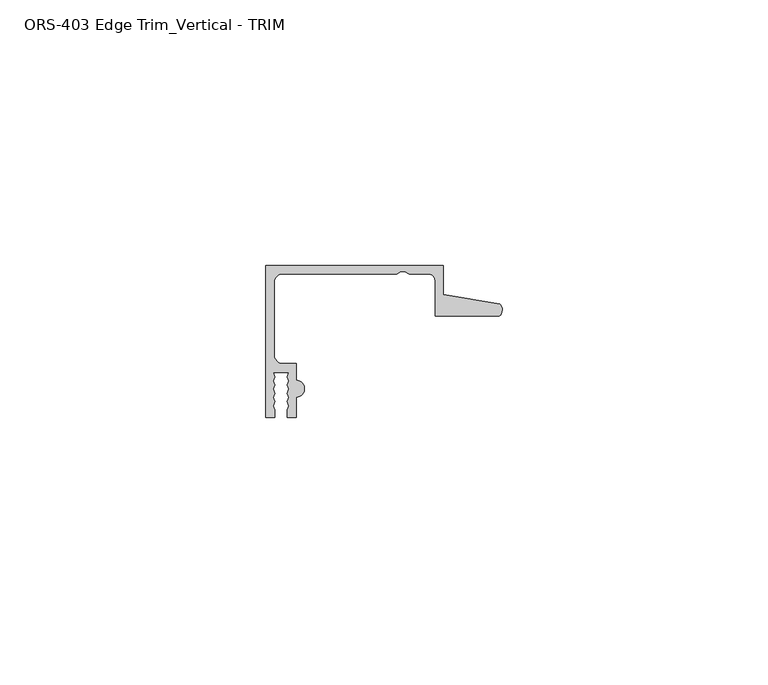
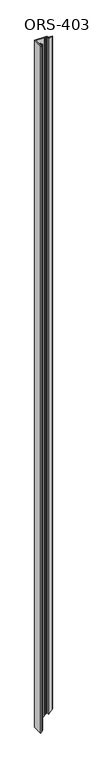
"""IFC4 building model written with IfcOpenShell, lengths in millimetres: proxy geometry, ORS-403 Edge Trim_Vertical - TRIM."""

import ifcopenshell
import ifcopenshell.guid

model = None  # the IFC model being written
_history = None  # IfcOwnerHistory: only IFC2X3 demands one
_inside = {}  # id of a spatial element -> (the spatial element, [elements in it])
_under = {}  # id of a project, library or spatial element -> (it, [spatial elements below it])
_declared = {}  # id of a project -> (the project, [libraries it declares])
_typed = {}  # id of a type object -> (the type object, [elements of that type])
_made_of = {}  # id of a material, layer set ... -> (it, [elements and type objects made of it])


def new_model(schema):
    """Start an empty IFC model of exactly this schema.

    Asked for "IFC4X3", IfcOpenShell would pick the latest addendum, in which some entities
    have other attributes; the version numbers below select the first issue.
    IFC2X3 requires an IfcOwnerHistory on every rooted entity: one is made here for all.
    """
    global model, _history
    if schema == "IFC4X3":
        model = ifcopenshell.file(schema_version=(4, 3, 0, 0))
    else:
        model = ifcopenshell.file(schema=schema)
    _inside.clear()
    _under.clear()
    _declared.clear()
    _typed.clear()
    _made_of.clear()
    _history = None
    if model.schema == "IFC2X3":
        org = make("IfcOrganization", Name="unknown")
        user = make(
            "IfcPersonAndOrganization",
            ThePerson=make("IfcPerson", FamilyName="unknown"),
            TheOrganization=org,
        )
        app = make(
            "IfcApplication",
            ApplicationDeveloper=org,
            Version="unknown",
            ApplicationFullName="unknown",
            ApplicationIdentifier="unknown",
        )
        _history = make(
            "IfcOwnerHistory",
            OwningUser=user,
            OwningApplication=app,
            ChangeAction="ADDED",
            CreationDate=0,
        )
    return model


def make(cls, **values):
    """One entity of the class cls with the attributes given. An attribute that is None is left unset."""
    return model.create_entity(
        cls, **{name: value for name, value in values.items() if value is not None}
    )


def rooted(cls, **values):
    """An entity with a GlobalId (a new one), such as an element, a storey or a relation."""
    return make(cls, GlobalId=ifcopenshell.guid.new(), OwnerHistory=_history, **values)


def si_unit(unit_type, name, prefix=None):
    """IfcSIUnit, for example si_unit("LENGTHUNIT", "METRE", prefix="MILLI")."""
    return make("IfcSIUnit", UnitType=unit_type, Prefix=prefix, Name=name)


def assignment(units):
    """IfcUnitAssignment: the units of a project."""
    return None if units is None else make("IfcUnitAssignment", Units=units)


def point(xyz):
    """IfcCartesianPoint."""
    return None if xyz is None else make("IfcCartesianPoint", Coordinates=xyz)


def direction(xyz):
    """IfcDirection."""
    return None if xyz is None else make("IfcDirection", DirectionRatios=xyz)


def frame(location, z_axis=None, x_axis=None):
    """IfcAxis2Placement3D, a coordinate frame: its origin and axes. An axis left out is left unset."""
    return make(
        "IfcAxis2Placement3D",
        Location=point(location),
        Axis=direction(z_axis),
        RefDirection=direction(x_axis),
    )


def origin():
    """The frame at (0, 0, 0) with its axes left unset."""
    return frame((0.0, 0.0, 0.0))


def place(relative_to, where):
    """IfcLocalPlacement: puts the frame where relative to a parent placement (None: the world)."""
    return make(
        "IfcLocalPlacement", PlacementRelTo=relative_to, RelativePlacement=where
    )


def context(
    kind, dimensions, precision=None, world=None, true_north=None, identifier=None
):
    """IfcGeometricRepresentationContext, for example the 3D "Model" context."""
    return make(
        "IfcGeometricRepresentationContext",
        ContextIdentifier=identifier,
        ContextType=kind,
        CoordinateSpaceDimension=dimensions,
        Precision=precision,
        WorldCoordinateSystem=world,
        TrueNorth=true_north,
    )


def project(units=None, contexts=None):
    """IfcProject with its units and contexts."""
    return rooted(
        "IfcProject",
        Name="project",
        RepresentationContexts=contexts,
        UnitsInContext=assignment(units),
    )


def spatial(cls, under=None, at=None, **own):
    """A site, building, storey or space (cls), placed at a placement, below another one or the project."""
    s = rooted(cls, ObjectPlacement=at, **own)
    if under is not None:
        _under.setdefault(under.id(), (under, []))[1].append(s)
    return s


def polyline(points):
    """IfcPolyline through the points."""
    return make("IfcPolyline", Points=[point(p) for p in points])


def circle_curve(where, radius):
    """IfcCircle in the frame where."""
    return make("IfcCircle", Position=where, Radius=radius)


def ellipse_curve(where, semi_axis1, semi_axis2):
    """IfcEllipse in the frame where."""
    return make(
        "IfcEllipse", Position=where, SemiAxis1=semi_axis1, SemiAxis2=semi_axis2
    )


def shape(context_of_items, identifier, shape_type, items):
    """IfcShapeRepresentation: the items that make up one representation, for example the "Body"."""
    return make(
        "IfcShapeRepresentation",
        ContextOfItems=context_of_items,
        RepresentationIdentifier=identifier,
        RepresentationType=shape_type,
        Items=items,
    )


def source(mapping_origin, context_of_items, identifier, shape_type, items):
    """IfcRepresentationMap: a shape defined once, which mapped items show again and again."""
    return make(
        "IfcRepresentationMap",
        MappingOrigin=mapping_origin,
        MappedRepresentation=shape(context_of_items, identifier, shape_type, items),
    )


def transform(
    local_origin,
    x_axis=None,
    y_axis=None,
    z_axis=None,
    scale=None,
    scale2=None,
    scale3=None,
    uniform=True,
):
    """IfcCartesianTransformationOperator3D, or its non-uniform kind. x_axis, y_axis, z_axis: its Axis1, 2, 3."""
    if uniform:
        return make(
            "IfcCartesianTransformationOperator3D",
            Axis1=direction(x_axis),
            Axis2=direction(y_axis),
            LocalOrigin=point(local_origin),
            Scale=scale,
            Axis3=direction(z_axis),
        )
    return make(
        "IfcCartesianTransformationOperator3DnonUniform",
        Axis1=direction(x_axis),
        Axis2=direction(y_axis),
        LocalOrigin=point(local_origin),
        Scale=scale,
        Axis3=direction(z_axis),
        Scale2=scale2,
        Scale3=scale3,
    )


def mapped(mapping_source, mapping_target):
    """IfcMappedItem: shows the shape of a source again, moved by a transform."""
    return make(
        "IfcMappedItem", MappingSource=mapping_source, MappingTarget=mapping_target
    )


def made_of(thing, what):
    """Note that an element or type object is made of a material, layer set ...; save() writes the relation."""
    if what is not None:
        _made_of.setdefault(what.id(), (what, []))[1].append(thing)
    return thing


def element(
    cls,
    number,
    at=None,
    inside=None,
    cuts=None,
    type_object=None,
    material=None,
    context=None,
    identifier="Body",
    shape_type=None,
    held_by="IfcProductDefinitionShape",
    body=None,
    shapes=None,
    **own,
):
    """One element of the class cls, such as IfcWall. Its Tag is "e" and its number.

    at: its placement. inside: the storey or other place that contains it. cuts: it is an
    opening in that element (IfcRelVoidsElement). A single representation is given by context,
    identifier, shape_type and body (its items); several are given by shapes. held_by: the class
    of the entity that holds the representations. save() writes the other relations.
    """
    e = rooted(cls, Tag="e%d" % number, ObjectPlacement=at, **own)
    if body is not None:
        shapes = [shape(context, identifier, shape_type, body)]
    if shapes is not None:
        e.Representation = make(held_by, Representations=shapes)
    if inside is not None:
        _inside.setdefault(inside.id(), (inside, []))[1].append(e)
    if cuts is not None:
        rooted(
            "IfcRelVoidsElement", RelatingBuildingElement=cuts, RelatedOpeningElement=e
        )
    if type_object is not None:
        _typed.setdefault(type_object.id(), (type_object, []))[1].append(e)
    return made_of(e, material)


def aggregate(whole, parts):
    """IfcRelAggregates: a whole, such as a stair, and the parts it consists of."""
    return rooted("IfcRelAggregates", RelatingObject=whole, RelatedObjects=parts)


def save(model, path):
    """Write the relations noted so far, then the file.

    IfcRelAggregates (storeys below a building ...), IfcRelContainedInSpatialStructure (elements
    in a storey), IfcRelDefinesByType, IfcRelAssociatesMaterial and IfcRelDeclares: one each for
    every whole, place, type object, material and project.
    """
    for whole, parts in _under.values():
        aggregate(whole, parts)
    for where, things in _inside.values():
        rooted(
            "IfcRelContainedInSpatialStructure",
            RelatedElements=things,
            RelatingStructure=where,
        )
    for kind, things in _typed.values():
        rooted("IfcRelDefinesByType", RelatedObjects=things, RelatingType=kind)
    for what, things in _made_of.values():
        rooted("IfcRelAssociatesMaterial", RelatedObjects=things, RelatingMaterial=what)
    for by, libraries in _declared.values():
        rooted("IfcRelDeclares", RelatingContext=by, RelatedDefinitions=libraries)
    model.write(path)


def plane_surface(at):
    """IfcPlane: the flat surface through the origin of the frame at, square to its z axis."""
    return make("IfcPlane", Position=at)


def cylinder_surface(at, radius):
    """IfcCylindricalSurface: all points at the distance radius from the z axis of the frame at."""
    return make("IfcCylindricalSurface", Position=at, Radius=radius)


def revolved_surface(curve, axis_point, axis_direction):
    """IfcSurfaceOfRevolution: the curve turned about the line through axis_point along axis_direction."""
    return make(
        "IfcSurfaceOfRevolution",
        SweptCurve=make("IfcArbitraryOpenProfileDef", ProfileType="CURVE", Curve=curve),
        AxisPosition=make("IfcAxis1Placement", Location=point(axis_point), Axis=direction(axis_direction)),
    )


def advanced_brep(points, edges, surfaces, faces):
    """IfcAdvancedBrep: a solid bounded by faces that lie on surfaces and meet in shared edges.

    An edge is (start, end): straight between two places in points (the first is 0);
    or (start, end, curve); or (start, end, curve, False) where it runs against its curve.
    A face is (place in surfaces, loops), or (place, loops, False) where it looks against
    its surface's normal. A loop lists edges by number (the first is 1), with a minus sign
    where the edge is run from its end to its start. The first loop is the outer one.
    """
    corners = [point(p) for p in points]
    vertices = [make("IfcVertexPoint", VertexGeometry=c) for c in corners]
    made = []
    for start, end, *more in edges:
        made.append(
            make(
                "IfcEdgeCurve",
                EdgeStart=vertices[start],
                EdgeEnd=vertices[end],
                EdgeGeometry=more[0] if more else make("IfcPolyline", Points=[corners[start], corners[end]]),
                SameSense=more[1] if len(more) > 1 else True,
            )
        )
    hull = []
    for where, loops, *sense in faces:
        bounds = []
        for j, loop in enumerate(loops):
            ring = [make("IfcOrientedEdge", EdgeElement=made[abs(k) - 1], Orientation=k > 0) for k in loop]
            bounds.append(
                make(
                    "IfcFaceOuterBound" if j == 0 else "IfcFaceBound",
                    Bound=make("IfcEdgeLoop", EdgeList=ring),
                    Orientation=True,
                )
            )
        hull.append(make("IfcAdvancedFace", Bounds=bounds, FaceSurface=surfaces[where], SameSense=sense[0] if sense else True))
    return make("IfcAdvancedBrep", Outer=make("IfcClosedShell", CfsFaces=hull))


def ors_403_edge_trim_vertical_trim_9eb48f59(model_context):
    return source(origin(), model_context, "Body", "AdvancedBrep", [
        advanced_brep(
        [(0.0, 19.6849659, 1994.7929687), (0.0, -8.8900341, 1994.7929687), (1.6395301, -8.8900341, 1994.7929687), (1.6395301, -7.4768015, 1994.7929687), (1.3857004, -6.695594, 1994.7929687), (1.6395301, -5.9143865, 1994.7929687), (1.3857004, -5.133179, 1994.7929687), (1.6395301, -4.3519716, 1994.7929687), (1.3857004, -3.5707641, 1994.7929687), (1.6395301, -2.7895566, 1994.7929687), (1.3857004, -2.0083491, 1994.7929687), (1.6395301, -1.2271416, 1994.7929687), (1.3857004, -0.4459342, 1994.7929687), (4.3039002, -0.4459342, 1994.7929687), (4.0500705, -1.2271416, 1994.7929687), (4.3039002, -2.0083491, 1994.7929687), (4.0500705, -2.7895566, 1994.7929687), (4.3039002, -3.5707641, 1994.7929687), (4.0500705, -4.3519716, 1994.7929687), (4.3039002, -5.133179, 1994.7929687), (4.0500705, -5.9143865, 1994.7929687), (4.3039002, -6.695594, 1994.7929687), (4.0500705, -7.4768015, 1994.7929687), (4.0500705, -8.8900341, 1994.7929687), (5.6896, -8.8900341, 1994.7929687), (5.6896, -5.0673341, 1994.7929687), (5.6896, -1.9177341, 1994.7929687), (5.6896, 1.2699659, 1994.7929687), (3.1623, 1.2699659, 1994.7929687), (1.5748, 2.8574659, 1994.7929687), (1.5748, 16.5226659, 1994.7929687), (3.1623, 18.1101659, 1994.7929687), (24.5876618, 18.1101659, 1994.7929687), (25.3762055, 18.5286393, 1994.7929687), (26.1600648, 18.5286393, 1994.7929687), (26.9486086, 18.1101659, 1994.7929687), (30.5703698, 18.1101659, 1994.7929687), (31.8403698, 16.8401659, 1994.7929687), (31.8403698, 10.1599659, 1994.7929687), (43.9251729, 10.1599659, 1994.7929687), (43.9912567, 12.4813352, 1994.7929687), (33.4151698, 14.292309, 1994.7929687), (33.4151698, 19.6849659, 1994.7929687), (0.0, 19.6849659, 0.0), (0.0, -8.8900341, 0.0), (1.6395301, -8.8900341, 1.6395301), (1.6395301, -7.4768015, 1.6395301), (1.3857004, -6.695594, 1.3857004), (1.6395301, -5.9143865, 1.6395301), (1.3857004, -5.133179, 1.3857004), (1.6395301, -4.3519716, 1.6395301), (1.3857004, -3.5707641, 1.3857004), (1.6395301, -2.7895566, 1.6395301), (1.3857004, -2.0083491, 1.3857004), (1.6395301, -1.2271416, 1.6395301), (1.3857004, -0.4459342, 1.3857004), (4.3039002, -0.4459342, 4.3039002), (4.0500705, -1.2271416, 4.0500705), (4.3039002, -2.0083491, 4.3039002), (4.0500705, -2.7895566, 4.0500705), (4.3039002, -3.5707641, 4.3039002), (4.0500705, -4.3519716, 4.0500705), (4.3039002, -5.133179, 4.3039002), (4.0500705, -5.9143865, 4.0500705), (4.3039002, -6.695594, 4.3039002), (4.0500705, -7.4768015, 4.0500705), (4.0500705, -8.8900341, 4.0500705), (5.6896, -8.8900341, 5.6896), (5.6896, -5.0673341, 5.6896), (5.6896, -1.9177341, 5.6896), (5.6896, 1.2699659, 5.6896), (3.1623, 1.2699659, 3.1623), (1.5748, 2.8574659, 1.5748), (1.5748, 16.5226659, 1.5748), (3.1623, 18.1101659, 3.1623), (24.5876618, 18.1101659, 24.5876618), (25.3762055, 18.5286393, 25.3762055), (26.1600648, 18.5286393, 26.1600648), (26.9486086, 18.1101659, 26.9486086), (30.5703698, 18.1101659, 30.5703698), (31.8403698, 16.8401659, 31.8403698), (31.8403698, 10.1599659, 31.8403698), (43.9251729, 10.1599659, 43.9251729), (43.9912567, 12.4813352, 43.9912567), (33.4151698, 14.292309, 33.4151698), (33.4151698, 19.6849659, 33.4151698)],
        [
            (0, 1),
            (1, 2),
            (2, 3),
            (3, 4),
            (4, 5),
            (5, 6),
            (6, 7),
            (7, 8),
            (8, 9),
            (9, 10),
            (10, 11),
            (11, 12),
            (12, 13),
            (13, 14),
            (14, 15),
            (15, 16),
            (16, 17),
            (17, 18),
            (18, 19),
            (19, 20),
            (20, 21),
            (21, 22),
            (22, 23),
            (23, 24),
            (24, 25),
            (25, 26, circle_curve(frame((5.6896, -3.4925341, 1994.7929687), z_axis=(0.0, 0.0, 1.0), x_axis=(1.0, 0.0, 0.0)), 1.5748)),
            (26, 27),
            (27, 28),
            (28, 29, circle_curve(frame((3.1623, 2.8574659, 1994.7929687), z_axis=(0.0, 0.0, -1.0), x_axis=(1.0, 0.0, 0.0)), 1.5875)),
            (29, 30),
            (30, 31, circle_curve(frame((3.1623, 16.5226659, 1994.7929687), z_axis=(0.0, 0.0, -1.0), x_axis=(1.0, 0.0, 0.0)), 1.5875)),
            (31, 32),
            (32, 33),
            (33, 34),
            (34, 35),
            (35, 36),
            (36, 37, circle_curve(frame((30.5703698, 16.8401659, 1994.7929687), z_axis=(0.0, 0.0, -1.0), x_axis=(1.0, 0.0, 0.0)), 1.27)),
            (37, 38),
            (38, 39),
            (39, 40, circle_curve(frame((42.8344152, 11.3526424, 1994.7929687), z_axis=(0.0, 0.0, 1.0), x_axis=(1.0, 0.0, 0.0)), 1.6162393)),
            (40, 41),
            (41, 42),
            (42, 0),
            (0, 43),
            (43, 44),
            (44, 1),
            (44, 45),
            (45, 2),
            (45, 46),
            (46, 3),
            (46, 47),
            (47, 4),
            (47, 48),
            (48, 5),
            (48, 49),
            (49, 6),
            (49, 50),
            (50, 7),
            (50, 51),
            (51, 8),
            (51, 52),
            (52, 9),
            (52, 53),
            (53, 10),
            (53, 54),
            (54, 11),
            (54, 55),
            (55, 12),
            (55, 56),
            (56, 13),
            (56, 57),
            (57, 14),
            (57, 58),
            (58, 15),
            (58, 59),
            (59, 16),
            (59, 60),
            (60, 17),
            (60, 61),
            (61, 18),
            (61, 62),
            (62, 19),
            (62, 63),
            (63, 20),
            (63, 64),
            (64, 21),
            (64, 65),
            (65, 22),
            (65, 66),
            (66, 23),
            (66, 67),
            (67, 24),
            (67, 68),
            (68, 25),
            (68, 69, ellipse_curve(frame((5.6896, -3.4925341, 5.6896), z_axis=(-0.7071067811865469, 0.0, 0.7071067811865481), x_axis=(0.7071067811865481, 0.0, 0.7071067811865469)), 2.2271035, 1.5748)),
            (69, 26),
            (69, 70),
            (70, 27),
            (70, 71),
            (71, 28),
            (71, 72, ellipse_curve(frame((3.1623, 2.8574659, 3.1623), z_axis=(0.7071067811865469, 0.0, -0.7071067811865481), x_axis=(-0.7071067811865481, 0.0, -0.7071067811865469)), 2.245064, 1.5875)),
            (72, 29),
            (72, 73),
            (73, 30),
            (73, 74, ellipse_curve(frame((3.1623, 16.5226659, 3.1623), z_axis=(0.7071067811865469, 0.0, -0.7071067811865481), x_axis=(-0.7071067811865481, 0.0, -0.7071067811865469)), 2.245064, 1.5875)),
            (74, 31),
            (74, 75),
            (75, 32),
            (75, 76),
            (76, 33),
            (76, 77),
            (77, 34),
            (77, 78),
            (78, 35),
            (78, 79),
            (79, 36),
            (79, 80, ellipse_curve(frame((30.5703698, 16.8401659, 30.5703698), z_axis=(0.7071067811865469, 0.0, -0.7071067811865481), x_axis=(-0.7071067811865481, 0.0, -0.7071067811865469)), 1.7960512, 1.27)),
            (80, 37),
            (80, 81),
            (81, 38),
            (81, 82),
            (82, 39),
            (82, 83, ellipse_curve(frame((42.8344152, 11.3526424, 42.8344152), z_axis=(-0.7071067811865469, 0.0, 0.7071067811865481), x_axis=(0.7071067811865481, 0.0, 0.7071067811865469)), 2.2857076, 1.6162393)),
            (83, 40),
            (83, 84),
            (84, 41),
            (84, 85),
            (85, 42),
            (85, 43),
        ],
        [
            plane_surface(frame((0.0, -8.8900341, 1994.7929687), z_axis=(0.0, 0.0, 1.0), x_axis=(0.0, -1.0, 0.0))),
            plane_surface(frame((0.0, 19.6849659, 1994.7929687), z_axis=(-1.0, 0.0, 0.0), x_axis=(0.0, 0.0, -1.0))),
            plane_surface(frame((0.0, -8.8900341, 1994.7929687), z_axis=(0.0, -1.0, 0.0), x_axis=(0.0, 0.0, -1.0))),
            plane_surface(frame((1.6395301, -8.8900341, 1994.7929687), z_axis=(1.0, 0.0, 0.0), x_axis=(0.0, 0.0, -1.0))),
            plane_surface(frame((1.6395301, -7.4768015, 1994.7929687), z_axis=(0.9510565162951495, 0.30901699437496005, 0.0), x_axis=(0.0, 0.0, -1.0))),
            plane_surface(frame((1.3857004, -6.695594, 1994.7929687), z_axis=(0.9510565162951546, -0.30901699437494434, 0.0), x_axis=(0.0, 0.0, -1.0))),
            plane_surface(frame((1.6395301, -5.9143865, 1994.7929687), z_axis=(0.9510565162951493, 0.3090169943749606, 0.0), x_axis=(0.0, 0.0, -1.0))),
            plane_surface(frame((1.3857004, -5.133179, 1994.7929687), z_axis=(0.9510565162951459, -0.3090169943749711, 0.0), x_axis=(0.0, 0.0, -1.0))),
            plane_surface(frame((1.6395301, -4.3519716, 1994.7929687), z_axis=(0.9510565162951357, 0.3090169943750027, 0.0), x_axis=(0.0, 0.0, -1.0))),
            plane_surface(frame((1.3857004, -3.5707641, 1994.7929687), z_axis=(0.9510565162951548, -0.30901699437494373, 0.0), x_axis=(0.0, 0.0, -1.0))),
            plane_surface(frame((1.6395301, -2.7895566, 1994.7929687), z_axis=(0.951056516295149, 0.3090169943749616, 0.0), x_axis=(0.0, 0.0, -1.0))),
            plane_surface(frame((1.3857004, -2.0083491, 1994.7929687), z_axis=(0.9510565162951568, -0.309016994374938, 0.0), x_axis=(0.0, 0.0, -1.0))),
            plane_surface(frame((1.6395301, -1.2271416, 1994.7929687), z_axis=(0.9510565162951492, 0.3090169943749611, 0.0), x_axis=(0.0, 0.0, -1.0))),
            plane_surface(frame((1.3857004, -0.4459342, 1994.7929687), z_axis=(0.0, -1.0, 0.0), x_axis=(0.0, 0.0, -1.0))),
            plane_surface(frame((4.3039002, -0.4459342, 1994.7929687), z_axis=(-0.9510565162951503, 0.30901699437495767, 0.0), x_axis=(0.0, 0.0, -1.0))),
            plane_surface(frame((4.0500705, -1.2271416, 1994.7929687), z_axis=(-0.9510565162951559, -0.3090169943749404, 0.0), x_axis=(0.0, 0.0, -1.0))),
            plane_surface(frame((4.3039002, -2.0083491, 1994.7929687), z_axis=(-0.9510565162918149, 0.30901699438522306, 0.0), x_axis=(0.0, 0.0, -1.0))),
            plane_surface(frame((4.0500705, -2.7895566, 1994.7929687), z_axis=(-0.9510565162917888, -0.3090169943853031, 0.0), x_axis=(0.0, 0.0, -1.0))),
            plane_surface(frame((4.3039002, -3.5707641, 1994.7929687), z_axis=(-0.9510565162951367, 0.3090169943749994, 0.0), x_axis=(0.0, 0.0, -1.0))),
            plane_surface(frame((4.0500705, -4.3519716, 1994.7929687), z_axis=(-0.951056516295145, -0.30901699437497376, 0.0), x_axis=(0.0, 0.0, -1.0))),
            plane_surface(frame((4.3039002, -5.133179, 1994.7929687), z_axis=(-0.9510565162951503, 0.30901699437495755, 0.0), x_axis=(0.0, 0.0, -1.0))),
            plane_surface(frame((4.0500705, -5.9143865, 1994.7929687), z_axis=(-0.9510565162951536, -0.3090169943749477, 0.0), x_axis=(0.0, 0.0, -1.0))),
            plane_surface(frame((4.3039002, -6.695594, 1994.7929687), z_axis=(-0.9510565162951506, 0.3090169943749566, 0.0), x_axis=(0.0, 0.0, -1.0))),
            plane_surface(frame((4.0500705, -7.4768015, 1994.7929687), z_axis=(-1.0, 0.0, 0.0), x_axis=(0.0, 0.0, -1.0))),
            plane_surface(frame((4.0500705, -8.8900341, 1994.7929687), z_axis=(0.0, -1.0, 0.0), x_axis=(0.0, 0.0, -1.0))),
            plane_surface(frame((5.6896, -8.8900341, 1994.7929687), z_axis=(1.0, 0.0, 0.0), x_axis=(0.0, 0.0, -1.0))),
            cylinder_surface(frame((5.6896, -3.4925341, 0.0), z_axis=(0.0, 0.0, 1.0), x_axis=(1.0, 0.0, 0.0)), 1.5748),
            plane_surface(frame((5.6896, -1.9177341, 1994.7929687), z_axis=(1.0, 0.0, 0.0), x_axis=(0.0, 0.0, -1.0))),
            plane_surface(frame((5.6896, 1.2699659, 1994.7929687), z_axis=(0.0, 1.0, 0.0), x_axis=(0.0, 0.0, -1.0))),
            revolved_surface(polyline([(4.7498000000000005, 2.8574659, 1.5748), (4.7498000000000005, 2.8574659, 1994.7929687)]), (3.1623, 2.8574659, 0.0), (0.0, 0.0, -1.0)),
            plane_surface(frame((1.5748, 2.8574659, 1994.7929687), z_axis=(1.0, 0.0, 0.0), x_axis=(0.0, 0.0, -1.0))),
            revolved_surface(polyline([(4.7498000000000005, 16.5226659, 1.5748), (4.7498000000000005, 16.5226659, 1994.7929687)]), (3.1623, 16.5226659, 0.0), (0.0, 0.0, -1.0)),
            plane_surface(frame((3.1623, 18.1101659, 1994.7929687), z_axis=(0.0, -1.0, 0.0), x_axis=(0.0, 0.0, -1.0))),
            plane_surface(frame((24.5876618, 18.1101659, 1994.7929687), z_axis=(0.46877036221295537, -0.8833200708184631, 0.0), x_axis=(0.0, 0.0, -1.0))),
            plane_surface(frame((25.3762055, 18.5286393, 1994.7929687), z_axis=(0.0, -1.0, 0.0), x_axis=(0.0, 0.0, -1.0))),
            plane_surface(frame((26.1600648, 18.5286393, 1994.7929687), z_axis=(-0.46877036221480195, -0.8833200708174832, 0.0), x_axis=(0.0, 0.0, -1.0))),
            plane_surface(frame((26.9486086, 18.1101659, 1994.7929687), z_axis=(1.593635278475226e-12, -1.0, 0.0), x_axis=(0.0, 0.0, -1.0))),
            revolved_surface(polyline([(31.8403698, 16.8401659, 29.300369817121766), (31.8403698, 16.8401659, 1994.7929687)]), (30.5703698, 16.8401659, 0.0), (0.0, 0.0, -1.0)),
            plane_surface(frame((31.8403698, 16.8401659, 1994.7929687), z_axis=(-1.0, 1.298707655988294e-12, 0.0), x_axis=(0.0, 0.0, -1.0))),
            plane_surface(frame((31.8403698, 10.1599659, 1994.7929687), z_axis=(0.0, -1.0, 0.0), x_axis=(0.0, 0.0, -1.0))),
            cylinder_surface(frame((42.8344152, 11.3526424, 0.0), z_axis=(0.0, 0.0, 1.0), x_axis=(1.0, 0.0, 0.0)), 1.6162393),
            plane_surface(frame((43.9912567, 12.4813352, 1994.7929687), z_axis=(0.1687764314060245, 0.9856543593987943, 0.0), x_axis=(0.0, 0.0, -1.0))),
            plane_surface(frame((33.4151698, 14.292309, 1994.7929687), z_axis=(1.0, 0.0, 0.0), x_axis=(0.0, 0.0, -1.0))),
            plane_surface(frame((33.4151698, 19.6849659, 1994.7929687), z_axis=(0.0, 1.0, 0.0), x_axis=(0.0, 0.0, -1.0))),
            plane_surface(frame((45.3831812, -8.8900341, 45.3831812), z_axis=(0.7071067811865469, 0.0, -0.7071067811865481), x_axis=(0.0, 1.0, 0.0))),
        ],
        [
            (0, [[1, 2, 3, 4, 5, 6, 7, 8, 9, 10, 11, 12, 13, 14, 15, 16, 17, 18, 19, 20, 21, 22, 23, 24, 25, 26, 27, 28, 29, 30, 31, 32, 33, 34, 35, 36, 37, 38, 39, 40, 41, 42, 43]]),
            (1, [[-1, 44, 45, 46]]),
            (2, [[-2, -46, 47, 48]]),
            (3, [[-3, -48, 49, 50]]),
            (4, [[-4, -50, 51, 52]]),
            (5, [[-5, -52, 53, 54]]),
            (6, [[-6, -54, 55, 56]]),
            (7, [[-7, -56, 57, 58]]),
            (8, [[-8, -58, 59, 60]]),
            (9, [[-9, -60, 61, 62]]),
            (10, [[-10, -62, 63, 64]]),
            (11, [[-11, -64, 65, 66]]),
            (12, [[-12, -66, 67, 68]]),
            (13, [[-13, -68, 69, 70]]),
            (14, [[-14, -70, 71, 72]]),
            (15, [[-15, -72, 73, 74]]),
            (16, [[-16, -74, 75, 76]]),
            (17, [[-17, -76, 77, 78]]),
            (18, [[-18, -78, 79, 80]]),
            (19, [[-19, -80, 81, 82]]),
            (20, [[-20, -82, 83, 84]]),
            (21, [[-21, -84, 85, 86]]),
            (22, [[-22, -86, 87, 88]]),
            (23, [[-23, -88, 89, 90]]),
            (24, [[-24, -90, 91, 92]]),
            (25, [[-25, -92, 93, 94]]),
            (26, [[-26, -94, 95, 96]]),
            (27, [[-27, -96, 97, 98]]),
            (28, [[-28, -98, 99, 100]]),
            (29, [[-29, -100, 101, 102]]),
            (30, [[-30, -102, 103, 104]]),
            (31, [[-31, -104, 105, 106]]),
            (32, [[-32, -106, 107, 108]]),
            (33, [[-33, -108, 109, 110]]),
            (34, [[-34, -110, 111, 112]]),
            (35, [[-35, -112, 113, 114]]),
            (36, [[-36, -114, 115, 116]]),
            (37, [[-37, -116, 117, 118]]),
            (38, [[-38, -118, 119, 120]]),
            (39, [[-39, -120, 121, 122]]),
            (40, [[-40, -122, 123, 124]]),
            (41, [[-41, -124, 125, 126]]),
            (42, [[-42, -126, 127, 128]]),
            (43, [[-43, -128, 129, -44]]),
            (44, [[-45, -129, -127, -125, -123, -121, -119, -117, -115, -113, -111, -109, -107, -105, -103, -101, -99, -97, -95, -93, -91, -89, -87, -85, -83, -81, -79, -77, -75, -73, -71, -69, -67, -65, -63, -61, -59, -57, -55, -53, -51, -49, -47]]),
        ],
    ),
    ])


if __name__ == "__main__":
    model = new_model("IFC4")
    model_context = context("Model", 3, world=origin())
    ifc_project = project(units=[si_unit("LENGTHUNIT", "METRE", prefix="MILLI")], contexts=[model_context])
    site = spatial("IfcSite", under=ifc_project)
    building = spatial("IfcBuilding", under=site)
    placement = place(None, origin())
    ors_403_edge_trim_vertical_trim_shape = ors_403_edge_trim_vertical_trim_9eb48f59(model_context)
    element("IfcBuildingElementProxy", 1, Name="ORS-403 Edge Trim_Vertical - TRIM", ObjectType="ORS-403 Edge Trim_Vertical - TRIM", at=placement, inside=building, context=model_context, shape_type="MappedRepresentation", body=[
        mapped(ors_403_edge_trim_vertical_trim_shape, transform((0.0, 0.0, 0.0), x_axis=(1.0, 0.0, 0.0), y_axis=(0.0, 1.0, 0.0), z_axis=(0.0, 0.0, 1.0))),
    ])
    save(model, "model.ifc")
